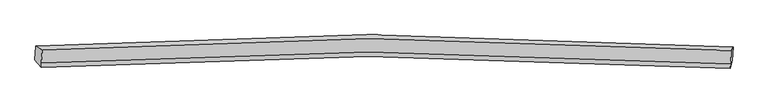
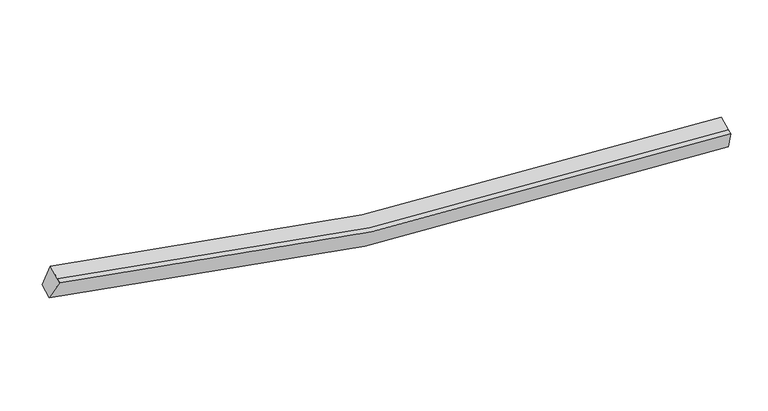
"""IFC4 building model written with IfcOpenShell, lengths in millimetres: proxy geometry."""

from ifc_helpers import new_model, si_unit, frame, origin, place, context, project, spatial, source, transform, mapped, element, save
from ifc_brep_helpers import plane_surface, spline_curve, spline_surface, advanced_brep


def generic_models_9900f616(model_context):
    return source(origin(), model_context, "Body", "AdvancedBrep", [
        advanced_brep(
        [(-10956.3469698, -1848.5265205, 4487.6967811), (-10740.2528802, -1967.7690729, 5159.0934385), (12092.7077929, -1989.607111, 2534.9122681), (12153.9701258, -1870.5394943, 1832.232581), (-10760.3645252, -2408.1492893, 4983.2455208), (12072.5961479, -2429.9873273, 2359.0643504), (-10767.1444347, -2556.6074587, 4923.9647925), (12065.8162385, -2578.4454967, 2299.7836221), (-10976.997975, -2300.7169893, 4307.1329198), (12133.3191205, -2322.7299631, 1651.6687196)],
        [
            (0, 1),
            (1, 2, spline_curve(3, [(-10740.2528802, -1967.7690729, 5159.0934385), (-7160.47250643, -1722.231785545, 4152.242647639), (-3547.450293207, -1596.091516354, 3427.051509778), (4057.594177531, -1582.027061388, 2501.974051334), (8055.558855793, -1715.446676541, 2352.438133427), (12092.7077929, -1989.607111, 2534.9122681)], [4, 2, 4], [0.0, 36.510897840003764, 76.15109543784598])),
            (2, 3),
            (3, 0, spline_curve(3, [(12153.9701258, -1870.5394943, 1832.232581), (8066.916576828, -1592.713497736, 1646.286257034), (4019.973317891, -1457.520615745, 1796.982998591), (-3677.382858611, -1471.813732144, 2733.190744296), (-7333.878631148, -1599.668956436, 3467.648736765), (-10956.3469698, -1848.5265205, 4487.6967811)], [4, 2, 4], [0.0, 39.64019759784222, 76.15109543784598])),
            (1, 4),
            (4, 5, spline_curve(3, [(-10760.3645252, -2408.1492893, 4983.2455208), (-7180.991169583, -2171.524398022, 3972.83592735), (-3568.180829386, -2050.023446519, 3245.792266654), (4036.828757206, -2036.72286052, 2320.409788179), (8035.005307135, -2165.503157436, 2172.726392357), (12072.5961479, -2429.9873273, 2359.0643504)], [4, 2, 4], [0.0, 36.29026082411688, 75.69091090533868])),
            (5, 2),
            (4, 6),
            (6, 7, spline_curve(3, [(-10767.1444347, -2556.6074587, 4923.9647925), (-7187.771078801, -2319.982567635, 3913.555198902), (-3574.960738108, -2198.481616607, 3186.511537952), (4030.048846862, -2185.181029381, 2261.129060315), (8028.225397577, -2313.961326617, 2113.445665036), (12065.8162385, -2578.4454967, 2299.7836221)], [4, 2, 4], [0.0, 36.29025040210568, 75.69088916805978])),
            (7, 5),
            (6, 8),
            (8, 9, spline_curve(3, [(-10976.997975, -2300.7169893, 4307.1329198), (-7354.936655789, -2060.771820927, 3283.526072797), (-3698.652754657, -1937.555914438, 2547.215557207), (3998.668536795, -1924.026667779, 1610.702792232), (8045.823668234, -2054.580231228, 1461.858573809), (12133.3191205, -2322.7299631, 1651.6687196)], [4, 2, 4], [0.0, 36.51086186247401, 76.15102039920097])),
            (9, 7),
            (8, 0),
            (3, 9),
        ],
        [
            spline_surface(3, 3, [[(-10956.3469698, -1848.5265205, 4487.6967811), (-7333.87863147, -1599.668955845, 3467.648736616), (-3677.382858513, -1471.81373219, 2733.190744263), (4019.973317784, -1457.520615696, 1796.982998627), (8066.916576722, -1592.713497259, 1646.286257643), (12153.9701258, -1870.5394943, 1832.232581)], [(-10884.315606616, -1888.274037983, 4711.495666893), (-7276.076589697, -1640.523232437, 3695.846707063), (-3634.072003493, -1513.239660366, 2964.477665996), (4032.513604438, -1499.022764132, 2031.980016276), (8063.130669858, -1633.6245568, 1881.670216195), (12133.549348171, -1910.228699848, 2066.459143359)], [(-10812.284243384, -1928.021555417, 4935.294552707), (-7218.274547875, -1681.37750898, 3924.04467753), (-3590.761148448, -1554.665588536, 3195.764587778), (4045.053891118, -1540.524912563, 2266.977033975), (8059.344762981, -1674.535616396, 2117.054174771), (12113.128570529, -1949.917905452, 2300.685705741)], [(-10740.2528802, -1967.7690729, 5159.0934385), (-7160.472506102, -1722.231785571, 4152.242647978), (-3547.450293429, -1596.091516712, 3427.051509511), (4057.594177772, -1582.027061, 2501.974051625), (8055.558856117, -1715.446675937, 2352.438133324), (12092.7077929, -1989.607111, 2534.9122681)]], [4, 4], [4, 2, 4], [0.0, 2.3468361300844514], [0.0, 36.510897840003764, 76.15109543784598]),
            spline_surface(3, 3, [[(-10740.2528802, -1967.7690729, 5159.0934385), (-7160.472506102, -1722.231785571, 4152.242647978), (-3547.450293429, -1596.091516712, 3427.051509511), (4057.594177772, -1582.027061, 2501.974051625), (8055.558856117, -1715.446675937, 2352.438133324), (12092.7077929, -1989.607111, 2534.9122681)], [(-10746.956761857, -2114.56247834, 5100.477465937), (-7167.312060627, -1871.995989625, 4092.440407888), (-3554.36047201, -1747.402160031, 3366.631761834), (4050.672370852, -1733.592327457, 2441.45263056), (8048.707673254, -1865.465503128, 2292.534219846), (12086.003911243, -2136.40051644, 2476.296295537)], [(-10753.660643543, -2261.35588386, 5041.861493363), (-7174.151615182, -2021.760193759, 4032.638167787), (-3561.27065061, -1898.712803343, 3306.212014127), (4043.750563915, -1885.157593907, 2380.931209465), (8041.856490361, -2015.4843303, 2232.630306357), (12079.300029557, -2283.19392186, 2417.680322963)], [(-10760.3645252, -2408.1492893, 4983.2455208), (-7180.991169707, -2171.524397812, 3972.835927697), (-3568.180829191, -2050.023446662, 3245.79226645), (4036.828756995, -2036.722860364, 2320.4097884), (8035.005307498, -2165.503157492, 2172.726392879), (12072.5961479, -2429.9873273, 2359.0643504)]], [4, 4], [4, 2, 4], [0.0, 1.6064396362825022], [0.0, 36.29026082411688, 75.69091090533868]),
            spline_surface(3, 3, [[(-10760.3645252, -2408.1492893, 4983.2455208), (-7180.991169707, -2171.524397812, 3972.835927697), (-3568.180829191, -2050.023446662, 3245.79226645), (4036.828756995, -2036.722860364, 2320.4097884), (8035.005307498, -2165.503157492, 2172.726392879), (12072.5961479, -2429.9873273, 2359.0643504)], [(-10762.624495022, -2457.635345784, 4963.485278026), (-7183.251139528, -2221.010454297, 3953.075684923), (-3570.440799013, -2099.509503146, 3226.032023676), (4034.568787173, -2086.208916848, 2300.649545626), (8032.745337676, -2214.989213976, 2152.966150105), (12070.336178078, -2479.473383784, 2339.304107626)], [(-10764.884464878, -2507.121402216, 4943.725035274), (-7185.511109385, -2270.496510728, 3933.315442171), (-3572.70076887, -2148.995559678, 3206.271780925), (4032.308817316, -2135.69497338, 2280.889302874), (8030.48536792, -2264.475270408, 2133.205907353), (12068.076208322, -2528.959440216, 2319.543864874)], [(-10767.1444347, -2556.6074587, 4923.9647925), (-7187.771079207, -2319.982567212, 3913.555199397), (-3574.960738691, -2198.481616162, 3186.51153815), (4030.048847495, -2185.181029864, 2261.1290601), (8028.225398098, -2313.961326892, 2113.445664579), (12065.8162385, -2578.4454967, 2299.7836221)]], [4, 4], [4, 2, 4], [0.0, 0.5249343832020981], [0.0, 36.29025040210568, 75.69088916805978]),
            spline_surface(3, 3, [[(-10767.1444347, -2556.6074587, 4923.9647925), (-7187.771079207, -2319.982567212, 3913.555199397), (-3574.960738691, -2198.481616162, 3186.51153815), (4030.048847495, -2185.181029864, 2261.1290601), (8028.225398098, -2313.961326892, 2113.445664579), (12065.8162385, -2578.4454967, 2299.7836221)], [(-10837.095614828, -2471.310635553, 4718.354168251), (-7243.492937923, -2233.578984956, 3703.545490494), (-3616.191410655, -2111.506382322, 2973.412877961), (4019.588743896, -2098.129575763, 2044.320303995), (8034.091488018, -2227.500961687, 1896.249967571), (12088.317199185, -2493.206985487, 2083.745321285)], [(-10907.046794872, -2386.013812447, 4512.743544049), (-7299.214796557, -2147.175402742, 3493.535781638), (-3657.422082612, -2024.53114848, 2760.314217791), (4009.128640305, -2011.078121661, 1827.511547908), (8039.957577883, -2141.04059652, 1679.054270507), (12110.818159815, -2407.968474313, 1867.707020415)], [(-10976.997975, -2300.7169893, 4307.1329198), (-7354.936655274, -2060.771820486, 3283.526072735), (-3698.652754576, -1937.55591464, 2547.215557602), (3998.668536706, -1924.02666756, 1610.702791802), (8045.823667802, -2054.580231314, 1461.858573498), (12133.3191205, -2322.7299631, 1651.6687196)]], [4, 4], [4, 2, 4], [0.0, 2.2965587953843634], [0.0, 36.51086186247401, 76.15102039920097]),
            spline_surface(3, 3, [[(-10976.997975, -2300.7169893, 4307.1329198), (-7354.936655274, -2060.771820486, 3283.526072735), (-3698.652754576, -1937.55591464, 2547.215557602), (3998.668536706, -1924.02666756, 1610.702791802), (8045.823667802, -2054.580231314, 1461.858573498), (12133.3191205, -2322.7299631, 1651.6687196)], [(-10970.114306578, -2149.98683304, 4367.320873593), (-7347.917313983, -1907.070865612, 3344.900294055), (-3691.562789228, -1782.308520501, 2609.207286509), (4005.770130392, -1768.524650283, 1672.796194097), (8052.854637431, -1900.624653303, 1523.334468206), (12140.202788922, -2171.99980684, 1711.856673393)], [(-10963.230638222, -1999.25667676, 4427.508827307), (-7340.89797276, -1753.369910719, 3406.274515296), (-3684.47282386, -1627.061126329, 2671.199015356), (4012.871724098, -1613.022632972, 1734.889596332), (8059.885607093, -1746.669075271, 1584.810362935), (12147.086457378, -2021.26965056, 1772.044627207)], [(-10956.3469698, -1848.5265205, 4487.6967811), (-7333.87863147, -1599.668955845, 3467.648736616), (-3677.382858513, -1471.81373219, 2733.190744263), (4019.973317784, -1457.520615696, 1796.982998627), (8066.916576722, -1592.713497259, 1646.286257643), (12153.9701258, -1870.5394943, 1832.232581)]], [4, 4], [4, 2, 4], [0.0, 1.6481995987911853], [0.0, 36.731483846176445, 76.61117357895114]),
            plane_surface(frame((12111.4533194, -2190.3305163, 2079.6492977), z_axis=(0.9944370990112128, -0.07496232476430631, 0.07399666192534686), x_axis=(0.09643268864876454, 0.36530790519705597, -0.9258784320635778))),
            plane_surface(frame((-10860.1855649, -2168.4050103, 4719.471983), z_axis=(-0.9530634293519767, -0.07373398627210745, 0.2936552381625003), x_axis=(-0.04237443415705726, -0.9278635590788485, -0.3705045520144137))),
        ],
        [
            (0, [[1, 2, 3, 4]]),
            (1, [[5, 6, 7, -2]]),
            (2, [[8, 9, 10, -6]]),
            (3, [[11, 12, 13, -9]]),
            (4, [[14, -4, 15, -12]]),
            (5, [[-13, -15, -3, -7, -10]]),
            (6, [[-14, -11, -8, -5, -1]]),
        ],
    ),
    ])


if __name__ == "__main__":
    model = new_model("IFC4")
    model_context = context("Model", 3, world=origin())
    ifc_project = project(units=[si_unit("LENGTHUNIT", "METRE", prefix="MILLI")], contexts=[model_context])
    site = spatial("IfcSite", under=ifc_project)
    building = spatial("IfcBuilding", under=site)
    placement = place(None, origin())
    generic_models_shape = generic_models_9900f616(model_context)
    element("IfcBuildingElementProxy", 1, Name="Generic Models", at=placement, inside=building, context=model_context, shape_type="MappedRepresentation", body=[
        mapped(generic_models_shape, transform((0.0, 0.0, 0.0), x_axis=(1.0, 0.0, 0.0), y_axis=(0.0, 1.0, 0.0), z_axis=(0.0, 0.0, 1.0))),
    ])
    save(model, "model.ifc")
